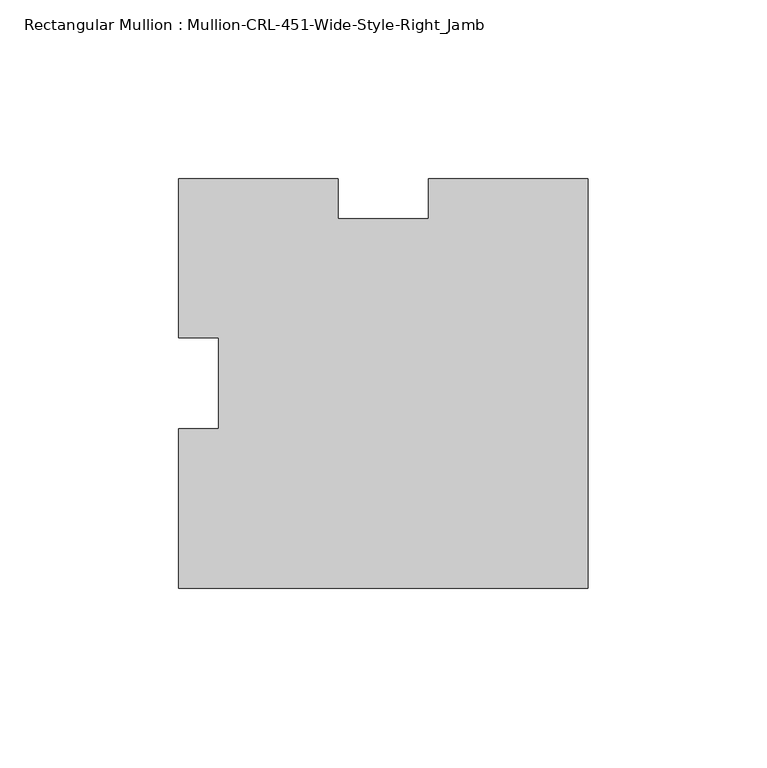
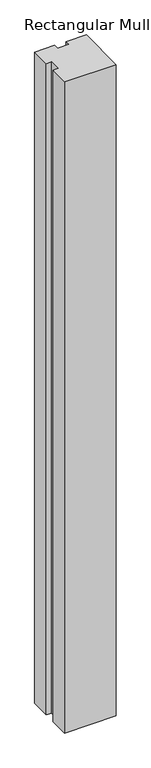
"""IFC4 building model written with IfcOpenShell, lengths in millimetres: member geometry, Rectangular Mullion : Mullion-CRL-451-Wide-Style-Right_Jamb."""

from ifc_helpers import new_model, si_unit, frame, origin, place, context, project, spatial, polyline, outline, extrude, source, transform, mapped, element, save


def rectangular_mullion_mullion_crl_451_wide_style_right_jamb_8499553f(model_context):
    return source(origin(), model_context, "Body", "SweptSolid", [
        extrude(outline(polyline([(0.0, -57.15), (-114.3000484, -57.15), (-114.3000484, -12.7), (-103.1875484, -12.7), (-103.1875484, 12.7310704), (-114.3000484, 12.7310704), (-114.3000484, 57.15), (-69.8500011, 57.15), (-69.8500011, 46.0375011), (-44.4500011, 46.0375011), (-44.4500011, 57.15), (0.0, 57.15), (0.0, -57.15)])), frame((0.0, 0.0, -1524.0), z_axis=(0.0, 0.0, 1.0), x_axis=(1.0, 0.0, 0.0)), (0.0, 0.0, 1.0), 1524.0),
    ])


if __name__ == "__main__":
    model = new_model("IFC4")
    model_context = context("Model", 3, world=origin())
    ifc_project = project(units=[si_unit("LENGTHUNIT", "METRE", prefix="MILLI")], contexts=[model_context])
    site = spatial("IfcSite", under=ifc_project)
    building = spatial("IfcBuilding", under=site)
    placement = place(None, origin())
    rectangular_mullion_mullion_crl_451_wide_style_right_jamb_shape = rectangular_mullion_mullion_crl_451_wide_style_right_jamb_8499553f(model_context)
    element("IfcMember", 1, ObjectType="Rectangular Mullion : Mullion-CRL-451-Wide-Style-Right_Jamb", at=placement, inside=building, context=model_context, shape_type="MappedRepresentation", body=[
        mapped(rectangular_mullion_mullion_crl_451_wide_style_right_jamb_shape, transform((0.0, 0.0, 0.0), x_axis=(1.0, 0.0, 0.0), y_axis=(0.0, 1.0, 0.0), z_axis=(0.0, 0.0, 1.0))),
    ])
    save(model, "model.ifc")
